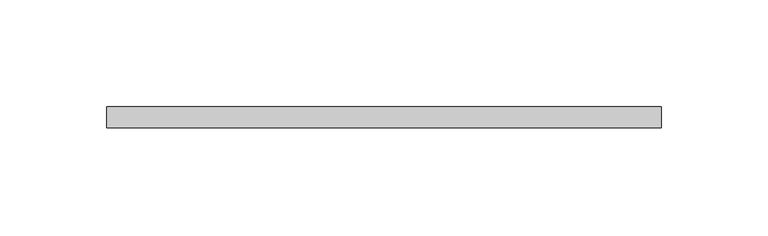
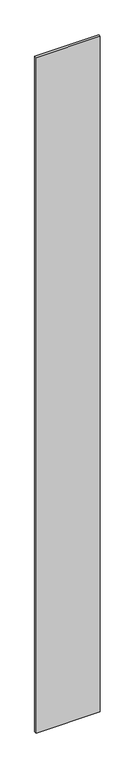
"""IFC4 building model written with IfcOpenShell, lengths in millimetres: plate geometry."""

from ifc_helpers import new_model, si_unit, origin, origin_with_axes, place, context, project, spatial, polyline, outline, extrude, source, transform, mapped, element, save


def plate_4066ba05(model_context):
    return source(origin(), model_context, "Body", "SweptSolid", [
        extrude(outline(polyline([(130.0, -5.0), (-130.0, -5.0), (-130.0, 5.0), (130.0, 5.0), (130.0, -5.0)])), origin_with_axes(), (0.0, 0.0, 1.0), 2895.0),
    ])


if __name__ == "__main__":
    model = new_model("IFC4")
    model_context = context("Model", 3, world=origin())
    ifc_project = project(units=[si_unit("LENGTHUNIT", "METRE", prefix="MILLI")], contexts=[model_context])
    site = spatial("IfcSite", under=ifc_project)
    building = spatial("IfcBuilding", under=site)
    placement = place(None, origin())
    plate_shape = plate_4066ba05(model_context)
    element("IfcPlate", 1, at=placement, inside=building, context=model_context, shape_type="MappedRepresentation", body=[
        mapped(plate_shape, transform((0.0, 0.0, 0.0), x_axis=(1.0, 0.0, 0.0), y_axis=(0.0, 1.0, 0.0), z_axis=(0.0, 0.0, 1.0))),
    ])
    save(model, "model.ifc")
